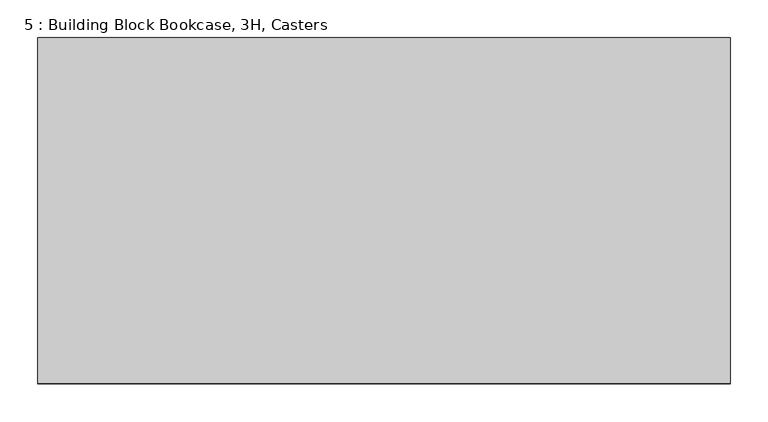
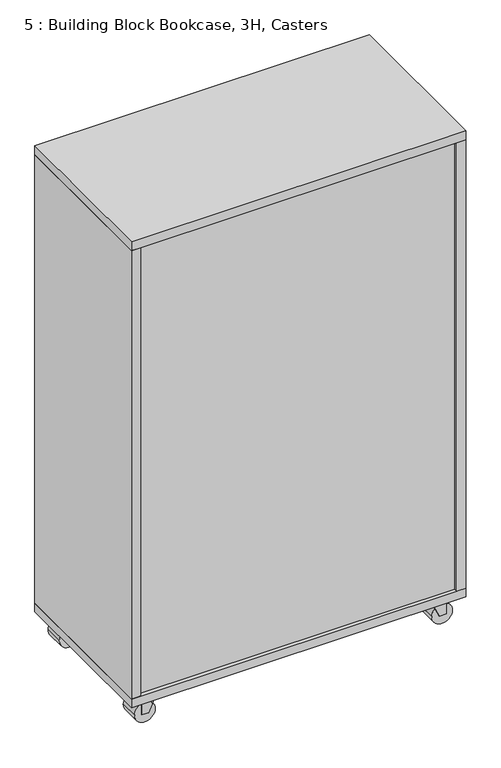
"""IFC4 building model written with IfcOpenShell, lengths in millimetres: furniture geometry, 5 : Building Block Bookcase, 3H, Casters."""

from ifc_helpers import new_model, si_unit, point, frame, frame_2d, origin, place, context, project, spatial, polyline, circle_curve, trimmed, segment, composite_curve, outline, extrude, source, transform, mapped, element, save


def furniture_5_building_block_bookcase_3h_casters_740d9ff7(model_context):
    return source(origin(), model_context, "Body", "SweptSolid", [
        extrude(outline(polyline([(914.4, 0.0), (0.0, 0.0), (0.0, 457.2), (914.4, 457.2), (914.4, 0.0)])), frame((0.0, 0.0, 1393.825), z_axis=(0.0, 0.0, 1.0), x_axis=(1.0, 0.0, 0.0)), (0.0, 0.0, 1.0), 25.4),
        extrude(outline(polyline([(889.0, 457.2), (889.0, 12.7), (25.4, 12.7), (25.4, 457.2), (889.0, 457.2)])), frame((0.0, 0.0, 1063.625), z_axis=(0.0, 0.0, 1.0), x_axis=(1.0, 0.0, 0.0)), (0.0, 0.0, 1.0), 25.4),
        extrude(outline(polyline([(889.0, 12.7), (889.0, 9.7487804), (25.4, 9.7487804), (25.4, 12.7), (889.0, 12.7)])), frame((0.0, 0.0, 98.425), z_axis=(0.0, 0.0, 1.0), x_axis=(1.0, 0.0, 0.0)), (0.0, 0.0, 1.0), 1295.4),
        extrude(outline(polyline([(889.0, 0.0), (889.0, 457.2), (914.4, 457.2), (914.4, 0.0), (889.0, 0.0)])), frame((0.0, 0.0, 98.425), z_axis=(0.0, 0.0, 1.0), x_axis=(1.0, 0.0, 0.0)), (0.0, 0.0, 1.0), 1295.4),
        extrude(outline(polyline([(25.4, 457.2), (25.4, 0.0), (0.0, 0.0), (0.0, 457.2), (25.4, 457.2)])), frame((0.0, 0.0, 98.425), z_axis=(0.0, 0.0, 1.0), x_axis=(1.0, 0.0, 0.0)), (0.0, 0.0, 1.0), 1295.4),
        extrude(outline(polyline([(914.4, 457.2), (914.4, 0.0), (0.0, 0.0), (0.0, 457.2), (914.4, 457.2)])), frame((0.0, 0.0, 73.025), z_axis=(0.0, 0.0, 1.0), x_axis=(1.0, 0.0, 0.0)), (0.0, 0.0, 1.0), 25.4),
        extrude(outline(polyline([(889.0, 457.2), (889.0, 12.7), (25.4, 12.7), (25.4, 457.2), (889.0, 457.2)])), frame((0.0, 0.0, 403.225), z_axis=(0.0, 0.0, 1.0), x_axis=(1.0, 0.0, 0.0)), (0.0, 0.0, 1.0), 25.4),
        extrude(outline(polyline([(889.0, 457.2), (889.0, 12.7), (25.4, 12.7), (25.4, 457.2), (889.0, 457.2)])), frame((0.0, 0.0, 733.425), z_axis=(0.0, 0.0, 1.0), x_axis=(1.0, 0.0, 0.0)), (0.0, 0.0, 1.0), 25.4),
        extrude(outline(composite_curve([segment(trimmed(circle_curve(frame_2d((28.5450835, 863.6)), 28.5450835), [point((28.5450835, 892.1450835))], [point((28.5450835, 835.0549165))], False, "CARTESIAN"), True, "CONTINUOUS"), segment(trimmed(circle_curve(frame_2d((28.5450835, 863.6)), 28.5450835), [point((28.5450835, 835.0549165))], [point((28.5450835, 892.1450835))], False, "CARTESIAN"), True, "CONTINUOUS")], self_intersect=False)), frame((0.0, 379.9362915, 0.0), z_axis=(0.0, 1.0, 0.0), x_axis=(0.0, 0.0, 1.0)), (0.0, 0.0, 1.0), 53.0422756),
        extrude(outline(polyline([(73.025, 832.6896756), (24.60625, 854.6518893), (24.60625, 874.0068204), (73.025, 874.0068204), (73.025, 832.6896756)])), frame((0.0, 378.2531597, 0.0), z_axis=(0.0, 1.0, 0.0), x_axis=(0.0, 0.0, 1.0)), (0.0, 0.0, 1.0), 56.3912026),
        extrude(outline(composite_curve([segment(trimmed(circle_curve(frame_2d((28.5450835, 50.8)), 28.5450835), [point((28.5450835, 22.2549165))], [point((28.5450835, 79.3450835))], False, "CARTESIAN"), True, "CONTINUOUS"), segment(trimmed(circle_curve(frame_2d((28.5450835, 50.8)), 28.5450835), [point((28.5450835, 79.3450835))], [point((28.5450835, 22.2549165))], False, "CARTESIAN"), True, "CONTINUOUS")], self_intersect=False)), frame((0.0, 379.9362915, 0.0), z_axis=(0.0, 1.0, 0.0), x_axis=(0.0, 0.0, 1.0)), (0.0, 0.0, 1.0), 53.0422756),
        extrude(outline(polyline([(73.025, 81.7103244), (73.025, 40.3931796), (24.60625, 40.3931796), (24.60625, 59.7481107), (73.025, 81.7103244)])), frame((0.0, 378.2531597, 0.0), z_axis=(0.0, 1.0, 0.0), x_axis=(0.0, 0.0, 1.0)), (0.0, 0.0, 1.0), 56.3912026),
        extrude(outline(composite_curve([segment(trimmed(circle_curve(frame_2d((28.5450835, 863.6)), 28.5450835), [point((28.5450835, 892.1450835))], [point((28.5450835, 835.0549165))], False, "CARTESIAN"), True, "CONTINUOUS"), segment(trimmed(circle_curve(frame_2d((28.5450835, 863.6)), 28.5450835), [point((28.5450835, 835.0549165))], [point((28.5450835, 892.1450835))], False, "CARTESIAN"), True, "CONTINUOUS")], self_intersect=False)), frame((0.0, 24.2214329, 0.0), z_axis=(0.0, 1.0, 0.0), x_axis=(0.0, 0.0, 1.0)), (0.0, 0.0, 1.0), 53.0422756),
        extrude(outline(polyline([(73.025, 832.6896756), (24.60625, 854.6518893), (24.60625, 874.0068204), (73.025, 874.0068204), (73.025, 832.6896756)])), frame((0.0, 22.5556377, 0.0), z_axis=(0.0, 1.0, 0.0), x_axis=(0.0, 0.0, 1.0)), (0.0, 0.0, 1.0), 56.3912026),
        extrude(outline(composite_curve([segment(trimmed(circle_curve(frame_2d((28.5450835, 50.8)), 28.5450835), [point((28.5450835, 22.2549165))], [point((28.5450835, 79.3450835))], False, "CARTESIAN"), True, "CONTINUOUS"), segment(trimmed(circle_curve(frame_2d((28.5450835, 50.8)), 28.5450835), [point((28.5450835, 79.3450835))], [point((28.5450835, 22.2549165))], False, "CARTESIAN"), True, "CONTINUOUS")], self_intersect=False)), frame((0.0, 24.2214329, 0.0), z_axis=(0.0, 1.0, 0.0), x_axis=(0.0, 0.0, 1.0)), (0.0, 0.0, 1.0), 53.0422756),
        extrude(outline(polyline([(73.025, 81.7103244), (73.025, 40.3931796), (24.60625, 40.3931796), (24.60625, 59.7481107), (73.025, 81.7103244)])), frame((0.0, 22.5556377, 0.0), z_axis=(0.0, 1.0, 0.0), x_axis=(0.0, 0.0, 1.0)), (0.0, 0.0, 1.0), 56.3912026),
        extrude(outline(composite_curve([segment(trimmed(circle_curve(frame_2d((850.9, 406.4)), 15.9254799), [point((866.8254799, 406.4))], [point((834.9745201, 406.4))], False, "CARTESIAN"), True, "CONTINUOUS"), segment(trimmed(circle_curve(frame_2d((850.9, 406.4)), 15.9254799), [point((834.9745201, 406.4))], [point((866.8254799, 406.4))], False, "CARTESIAN"), True, "CONTINUOUS")], self_intersect=False)), frame((0.0, 0.0, 71.040625), z_axis=(0.0, 0.0, 1.0), x_axis=(1.0, 0.0, 0.0)), (0.0, 0.0, 1.0), 0.9921875),
        extrude(outline(composite_curve([segment(trimmed(circle_curve(frame_2d((850.9, 406.4)), 10.16), [point((861.06, 406.4))], [point((840.74, 406.4))], False, "CARTESIAN"), True, "CONTINUOUS"), segment(trimmed(circle_curve(frame_2d((850.9, 406.4)), 10.16), [point((840.74, 406.4))], [point((861.06, 406.4))], False, "CARTESIAN"), True, "CONTINUOUS")], self_intersect=False)), frame((0.0, 0.0, 72.0328125), z_axis=(0.0, 0.0, 1.0), x_axis=(1.0, 0.0, 0.0)), (0.0, 0.0, 1.0), 0.9921875),
        extrude(outline(composite_curve([segment(trimmed(circle_curve(frame_2d((850.9, 50.8)), 15.9254799), [point((866.8254799, 50.8))], [point((834.9745201, 50.8))], False, "CARTESIAN"), True, "CONTINUOUS"), segment(trimmed(circle_curve(frame_2d((850.9, 50.8)), 15.9254799), [point((834.9745201, 50.8))], [point((866.8254799, 50.8))], False, "CARTESIAN"), True, "CONTINUOUS")], self_intersect=False)), frame((0.0, 0.0, 71.040625), z_axis=(0.0, 0.0, 1.0), x_axis=(1.0, 0.0, 0.0)), (0.0, 0.0, 1.0), 0.9921875),
        extrude(outline(composite_curve([segment(trimmed(circle_curve(frame_2d((850.9, 50.8)), 10.16), [point((861.06, 50.8))], [point((840.74, 50.8))], False, "CARTESIAN"), True, "CONTINUOUS"), segment(trimmed(circle_curve(frame_2d((850.9, 50.8)), 10.16), [point((840.74, 50.8))], [point((861.06, 50.8))], False, "CARTESIAN"), True, "CONTINUOUS")], self_intersect=False)), frame((0.0, 0.0, 72.0328125), z_axis=(0.0, 0.0, 1.0), x_axis=(1.0, 0.0, 0.0)), (0.0, 0.0, 1.0), 0.9921875),
        extrude(outline(composite_curve([segment(trimmed(circle_curve(frame_2d((63.5, 406.4)), 15.9254799), [point((47.5745201, 406.4))], [point((79.4254799, 406.4))], False, "CARTESIAN"), True, "CONTINUOUS"), segment(trimmed(circle_curve(frame_2d((63.5, 406.4)), 15.9254799), [point((79.4254799, 406.4))], [point((47.5745201, 406.4))], False, "CARTESIAN"), True, "CONTINUOUS")], self_intersect=False)), frame((0.0, 0.0, 71.040625), z_axis=(0.0, 0.0, 1.0), x_axis=(1.0, 0.0, 0.0)), (0.0, 0.0, 1.0), 0.9921875),
        extrude(outline(composite_curve([segment(trimmed(circle_curve(frame_2d((63.5, 406.4)), 10.16), [point((53.34, 406.4))], [point((73.66, 406.4))], False, "CARTESIAN"), True, "CONTINUOUS"), segment(trimmed(circle_curve(frame_2d((63.5, 406.4)), 10.16), [point((73.66, 406.4))], [point((53.34, 406.4))], False, "CARTESIAN"), True, "CONTINUOUS")], self_intersect=False)), frame((0.0, 0.0, 72.0328125), z_axis=(0.0, 0.0, 1.0), x_axis=(1.0, 0.0, 0.0)), (0.0, 0.0, 1.0), 0.9921875),
        extrude(outline(composite_curve([segment(trimmed(circle_curve(frame_2d((63.5, 50.8)), 15.9254799), [point((47.5745201, 50.8))], [point((79.4254799, 50.8))], False, "CARTESIAN"), True, "CONTINUOUS"), segment(trimmed(circle_curve(frame_2d((63.5, 50.8)), 15.9254799), [point((79.4254799, 50.8))], [point((47.5745201, 50.8))], False, "CARTESIAN"), True, "CONTINUOUS")], self_intersect=False)), frame((0.0, 0.0, 71.040625), z_axis=(0.0, 0.0, 1.0), x_axis=(1.0, 0.0, 0.0)), (0.0, 0.0, 1.0), 0.9921875),
        extrude(outline(composite_curve([segment(trimmed(circle_curve(frame_2d((63.5, 50.8)), 10.16), [point((53.34, 50.8))], [point((73.66, 50.8))], False, "CARTESIAN"), True, "CONTINUOUS"), segment(trimmed(circle_curve(frame_2d((63.5, 50.8)), 10.16), [point((73.66, 50.8))], [point((53.34, 50.8))], False, "CARTESIAN"), True, "CONTINUOUS")], self_intersect=False)), frame((0.0, 0.0, 72.0328125), z_axis=(0.0, 0.0, 1.0), x_axis=(1.0, 0.0, 0.0)), (0.0, 0.0, 1.0), 0.9921875),
    ])


if __name__ == "__main__":
    model = new_model("IFC4")
    model_context = context("Model", 3, world=origin())
    ifc_project = project(units=[si_unit("LENGTHUNIT", "METRE", prefix="MILLI")], contexts=[model_context])
    site = spatial("IfcSite", under=ifc_project)
    building = spatial("IfcBuilding", under=site)
    placement = place(None, origin())
    furniture_5_building_block_bookcase_3h_casters_shape = furniture_5_building_block_bookcase_3h_casters_740d9ff7(model_context)
    element("IfcFurniture", 1, ObjectType="5 : Building Block Bookcase, 3H, Casters", at=placement, inside=building, context=model_context, shape_type="MappedRepresentation", body=[
        mapped(furniture_5_building_block_bookcase_3h_casters_shape, transform((0.0, 0.0, 0.0), x_axis=(1.0, 0.0, 0.0), y_axis=(0.0, 1.0, 0.0), z_axis=(0.0, 0.0, 1.0))),
    ])
    save(model, "model.ifc")
